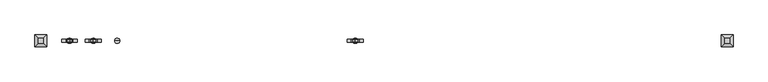
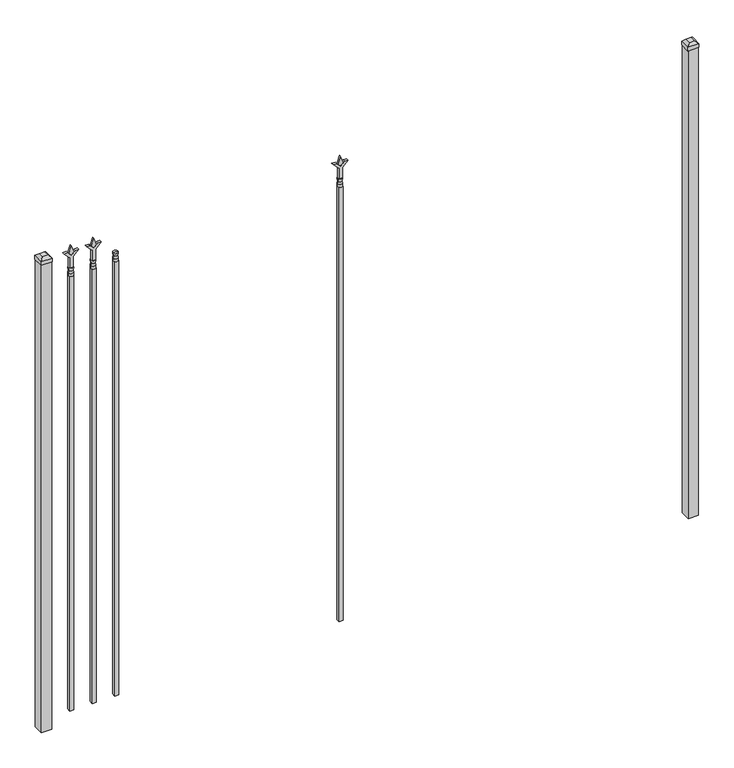
"""IFC4 building model written with IfcOpenShell, lengths in millimetres: railing geometry."""

from ifc_helpers import new_model, si_unit, frame, origin, origin_with_axes, place, context, project, spatial, polyline, circle_curve, outline, extrude, faceted_brep, source, transform, mapped, element, save
from ifc_brep_helpers import plane_surface, cylinder_surface, revolved_surface, advanced_brep


def railing_bac61603(model_context):
    return source(origin(), model_context, "Body", "SolidModel", [
        advanced_brep(
        [(-54887.1035036, -3073.6570174, 2298.7), (-54910.9160036, -3073.6570174, 2298.7), (-54910.9160036, -3073.6570174, 2286.0), (-54887.1035036, -3073.6570174, 2286.0), (-54889.3088355, -3073.6570174, 2311.2070585), (-54908.7106718, -3073.6570174, 2311.2070585), (-54887.1035036, -3073.6570174, 2327.275), (-54910.9160036, -3073.6570174, 2327.275), (-54899.0097536, -3073.6570174, 2327.275), (-54899.0097536, -3073.6570174, 2286.0)],
        [
            (0, 1, circle_curve(frame((-54899.0097536, -3073.6570174, 2298.7), z_axis=(0.0, 0.0, -1.0), x_axis=(-1.0, 0.0, 0.0)), 11.90625)),
            (1, 2),
            (2, 3, circle_curve(frame((-54899.0097536, -3073.6570174, 2286.0), z_axis=(0.0, 0.0, 1.0), x_axis=(-1.0, 0.0, 0.0)), 11.90625)),
            (3, 0),
            (1, 0, circle_curve(frame((-54899.0097536, -3073.6570174, 2298.7), z_axis=(0.0, 0.0, -1.0), x_axis=(-1.0, 0.0, 0.0)), 11.90625)),
            (3, 2, circle_curve(frame((-54899.0097536, -3073.6570174, 2286.0), z_axis=(0.0, 0.0, 1.0), x_axis=(-1.0, 0.0, 0.0)), 11.90625)),
            (4, 5, circle_curve(frame((-54899.0097536, -3073.6570174, 2311.2070585), z_axis=(0.0, 0.0, -1.0), x_axis=(-1.0, 0.0, 0.0)), 9.7009181)),
            (5, 1),
            (0, 4),
            (5, 4, circle_curve(frame((-54899.0097536, -3073.6570174, 2311.2070585), z_axis=(0.0, 0.0, -1.0), x_axis=(-1.0, 0.0, 0.0)), 9.7009181)),
            (6, 7, circle_curve(frame((-54899.0097536, -3073.6570174, 2327.275), z_axis=(0.0, 0.0, -1.0), x_axis=(-1.0, 0.0, 0.0)), 11.90625)),
            (7, 5),
            (4, 6),
            (7, 6, circle_curve(frame((-54899.0097536, -3073.6570174, 2327.275), z_axis=(0.0, 0.0, -1.0), x_axis=(-1.0, 0.0, 0.0)), 11.90625)),
            (8, 7),
            (6, 8),
            (2, 9),
            (9, 3),
        ],
        [
            cylinder_surface(frame((-54899.0097536, -3073.6570174, 2286.0), z_axis=(0.0, 0.0, 1.0), x_axis=(-1.0, 0.0, 0.0)), 11.90625),
            revolved_surface(polyline([(-54910.9160036, -3073.6570174, 2298.7), (-54908.7106718, -3073.6570174, 2311.2070585)]), (-54899.0097536, -3073.6570174, 2286.0), (0.0, 0.0, 1.0)),
            revolved_surface(polyline([(-54908.7106718, -3073.6570174, 2311.2070585), (-54910.9160036, -3073.6570174, 2327.275)]), (-54899.0097536, -3073.6570174, 2286.0), (0.0, 0.0, 1.0)),
            plane_surface(frame((-54899.0097536, -3073.6570174, 2327.275), z_axis=(0.0, 0.0, 1.0), x_axis=(-1.0, 0.0, 0.0))),
            plane_surface(frame((-54899.0097536, -3073.6570174, 2286.0), z_axis=(0.0, 0.0, -1.0), x_axis=(-1.0, 0.0, 0.0))),
        ],
        [
            (0, [[1, 2, 3, 4]]),
            (0, [[5, -4, 6, -2]]),
            (1, [[7, 8, -1, 9]]),
            (1, [[10, -9, -5, -8]]),
            (2, [[11, 12, -7, 13]]),
            (2, [[14, -13, -10, -12]]),
            (3, [[15, -11, 16]]),
            (3, [[-16, -14, -15]]),
            (4, [[-3, 17, 18]]),
            (4, [[-6, -18, -17]]),
        ],
    ),
        extrude(outline(polyline([(-54908.5347536, -3064.1320174), (-54889.4847536, -3064.1320174), (-54889.4847536, -3083.1820174), (-54908.5347536, -3083.1820174), (-54908.5347536, -3064.1320174)])), frame((0.0, 0.0, 50.8), z_axis=(0.0, 0.0, 1.0), x_axis=(1.0, 0.0, 0.0)), (0.0, 0.0, 1.0), 2235.2),
        extrude(outline(polyline([(2402.68125, -54996.3764203), (2438.4, -55008.2826703), (2402.68125, -55020.1889203), (2390.775, -55008.2826703), (2402.68125, -54996.3764203)])), frame((0.0, -3078.4195174, 0.0), z_axis=(0.0, 1.0, 0.0), x_axis=(0.0, 0.0, 1.0)), (0.0, 0.0, 1.0), 9.525),
        extrude(outline(polyline([(2327.275, -54999.5514203), (2381.5457378, -54999.5514203), (2408.7355122, -54972.3616458), (2408.7355122, -54990.3221581), (2390.775, -55008.2826703), (2408.7355122, -55026.2431825), (2408.7355122, -55044.2036948), (2381.5457378, -55017.0139203), (2327.275, -55017.0139203), (2327.275, -54999.5514203)])), frame((0.0, -3080.0070174, 0.0), z_axis=(0.0, 1.0, 0.0), x_axis=(0.0, 0.0, 1.0)), (0.0, 0.0, 1.0), 12.7),
        advanced_brep(
        [(-54996.3764203, -3073.6570174, 2298.7), (-55020.1889203, -3073.6570174, 2298.7), (-55020.1889203, -3073.6570174, 2286.0), (-54996.3764203, -3073.6570174, 2286.0), (-54998.5817522, -3073.6570174, 2311.2070585), (-55017.9835884, -3073.6570174, 2311.2070585), (-54996.3764203, -3073.6570174, 2327.275), (-55020.1889203, -3073.6570174, 2327.275), (-55008.2826703, -3073.6570174, 2327.275), (-55008.2826703, -3073.6570174, 2286.0)],
        [
            (0, 1, circle_curve(frame((-55008.2826703, -3073.6570174, 2298.7), z_axis=(0.0, 0.0, -1.0), x_axis=(-1.0, 0.0, 0.0)), 11.90625)),
            (1, 2),
            (2, 3, circle_curve(frame((-55008.2826703, -3073.6570174, 2286.0), z_axis=(0.0, 0.0, 1.0), x_axis=(-1.0, 0.0, 0.0)), 11.90625)),
            (3, 0),
            (1, 0, circle_curve(frame((-55008.2826703, -3073.6570174, 2298.7), z_axis=(0.0, 0.0, -1.0), x_axis=(-1.0, 0.0, 0.0)), 11.90625)),
            (3, 2, circle_curve(frame((-55008.2826703, -3073.6570174, 2286.0), z_axis=(0.0, 0.0, 1.0), x_axis=(-1.0, 0.0, 0.0)), 11.90625)),
            (4, 5, circle_curve(frame((-55008.2826703, -3073.6570174, 2311.2070585), z_axis=(0.0, 0.0, -1.0), x_axis=(-1.0, 0.0, 0.0)), 9.7009181)),
            (5, 1),
            (0, 4),
            (5, 4, circle_curve(frame((-55008.2826703, -3073.6570174, 2311.2070585), z_axis=(0.0, 0.0, -1.0), x_axis=(-1.0, 0.0, 0.0)), 9.7009181)),
            (6, 7, circle_curve(frame((-55008.2826703, -3073.6570174, 2327.275), z_axis=(0.0, 0.0, -1.0), x_axis=(-1.0, 0.0, 0.0)), 11.90625)),
            (7, 5),
            (4, 6),
            (7, 6, circle_curve(frame((-55008.2826703, -3073.6570174, 2327.275), z_axis=(0.0, 0.0, -1.0), x_axis=(-1.0, 0.0, 0.0)), 11.90625)),
            (8, 7),
            (6, 8),
            (2, 9),
            (9, 3),
        ],
        [
            cylinder_surface(frame((-55008.2826703, -3073.6570174, 2286.0), z_axis=(0.0, 0.0, 1.0), x_axis=(-1.0, 0.0, 0.0)), 11.90625),
            revolved_surface(polyline([(-55020.1889203, -3073.6570174, 2298.7), (-55017.9835884, -3073.6570174, 2311.2070585)]), (-55008.2826703, -3073.6570174, 2286.0), (0.0, 0.0, 1.0)),
            revolved_surface(polyline([(-55017.9835884, -3073.6570174, 2311.2070585), (-55020.1889203, -3073.6570174, 2327.275)]), (-55008.2826703, -3073.6570174, 2286.0), (0.0, 0.0, 1.0)),
            plane_surface(frame((-55008.2826703, -3073.6570174, 2327.275), z_axis=(0.0, 0.0, 1.0), x_axis=(-1.0, 0.0, 0.0))),
            plane_surface(frame((-55008.2826703, -3073.6570174, 2286.0), z_axis=(0.0, 0.0, -1.0), x_axis=(-1.0, 0.0, 0.0))),
        ],
        [
            (0, [[1, 2, 3, 4]]),
            (0, [[5, -4, 6, -2]]),
            (1, [[7, 8, -1, 9]]),
            (1, [[10, -9, -5, -8]]),
            (2, [[11, 12, -7, 13]]),
            (2, [[14, -13, -10, -12]]),
            (3, [[15, -11, 16]]),
            (3, [[-16, -14, -15]]),
            (4, [[-3, 17, 18]]),
            (4, [[-6, -18, -17]]),
        ],
    ),
        extrude(outline(polyline([(-55017.8076703, -3064.1320174), (-54998.7576703, -3064.1320174), (-54998.7576703, -3083.1820174), (-55017.8076703, -3083.1820174), (-55017.8076703, -3064.1320174)])), frame((0.0, 0.0, 50.8), z_axis=(0.0, 0.0, 1.0), x_axis=(1.0, 0.0, 0.0)), (0.0, 0.0, 1.0), 2235.2),
        extrude(outline(polyline([(2402.68125, -53794.374337), (2438.4, -53806.280587), (2402.68125, -53818.186837), (2390.775, -53806.280587), (2402.68125, -53794.374337)])), frame((0.0, -3078.4195174, 0.0), z_axis=(0.0, 1.0, 0.0), x_axis=(0.0, 0.0, 1.0)), (0.0, 0.0, 1.0), 9.525),
        extrude(outline(polyline([(2327.275, -53797.549337), (2381.5457378, -53797.549337), (2408.7355122, -53770.3595625), (2408.7355122, -53788.3200747), (2390.775, -53806.280587), (2408.7355122, -53824.2410992), (2408.7355122, -53842.2016114), (2381.5457378, -53815.011837), (2327.275, -53815.011837), (2327.275, -53797.549337)])), frame((0.0, -3080.0070174, 0.0), z_axis=(0.0, 1.0, 0.0), x_axis=(0.0, 0.0, 1.0)), (0.0, 0.0, 1.0), 12.7),
        advanced_brep(
        [(-53794.374337, -3073.6570174, 2298.7), (-53818.186837, -3073.6570174, 2298.7), (-53818.186837, -3073.6570174, 2286.0), (-53794.374337, -3073.6570174, 2286.0), (-53796.5796688, -3073.6570174, 2311.2070585), (-53815.9815051, -3073.6570174, 2311.2070585), (-53794.374337, -3073.6570174, 2327.275), (-53818.186837, -3073.6570174, 2327.275), (-53806.280587, -3073.6570174, 2327.275), (-53806.280587, -3073.6570174, 2286.0)],
        [
            (0, 1, circle_curve(frame((-53806.280587, -3073.6570174, 2298.7), z_axis=(0.0, 0.0, -1.0), x_axis=(-1.0, 0.0, 0.0)), 11.90625)),
            (1, 2),
            (2, 3, circle_curve(frame((-53806.280587, -3073.6570174, 2286.0), z_axis=(0.0, 0.0, 1.0), x_axis=(-1.0, 0.0, 0.0)), 11.90625)),
            (3, 0),
            (1, 0, circle_curve(frame((-53806.280587, -3073.6570174, 2298.7), z_axis=(0.0, 0.0, -1.0), x_axis=(-1.0, 0.0, 0.0)), 11.90625)),
            (3, 2, circle_curve(frame((-53806.280587, -3073.6570174, 2286.0), z_axis=(0.0, 0.0, 1.0), x_axis=(-1.0, 0.0, 0.0)), 11.90625)),
            (4, 5, circle_curve(frame((-53806.280587, -3073.6570174, 2311.2070585), z_axis=(0.0, 0.0, -1.0), x_axis=(-1.0, 0.0, 0.0)), 9.7009181)),
            (5, 1),
            (0, 4),
            (5, 4, circle_curve(frame((-53806.280587, -3073.6570174, 2311.2070585), z_axis=(0.0, 0.0, -1.0), x_axis=(-1.0, 0.0, 0.0)), 9.7009181)),
            (6, 7, circle_curve(frame((-53806.280587, -3073.6570174, 2327.275), z_axis=(0.0, 0.0, -1.0), x_axis=(-1.0, 0.0, 0.0)), 11.90625)),
            (7, 5),
            (4, 6),
            (7, 6, circle_curve(frame((-53806.280587, -3073.6570174, 2327.275), z_axis=(0.0, 0.0, -1.0), x_axis=(-1.0, 0.0, 0.0)), 11.90625)),
            (8, 7),
            (6, 8),
            (2, 9),
            (9, 3),
        ],
        [
            cylinder_surface(frame((-53806.280587, -3073.6570174, 2286.0), z_axis=(0.0, 0.0, 1.0), x_axis=(-1.0, 0.0, 0.0)), 11.90625),
            revolved_surface(polyline([(-53818.186837, -3073.6570174, 2298.7), (-53815.9815051, -3073.6570174, 2311.2070585)]), (-53806.280587, -3073.6570174, 2286.0), (0.0, 0.0, 1.0)),
            revolved_surface(polyline([(-53815.9815051, -3073.6570174, 2311.2070585), (-53818.186837, -3073.6570174, 2327.275)]), (-53806.280587, -3073.6570174, 2286.0), (0.0, 0.0, 1.0)),
            plane_surface(frame((-53806.280587, -3073.6570174, 2327.275), z_axis=(0.0, 0.0, 1.0), x_axis=(-1.0, 0.0, 0.0))),
            plane_surface(frame((-53806.280587, -3073.6570174, 2286.0), z_axis=(0.0, 0.0, -1.0), x_axis=(-1.0, 0.0, 0.0))),
        ],
        [
            (0, [[1, 2, 3, 4]]),
            (0, [[5, -4, 6, -2]]),
            (1, [[7, 8, -1, 9]]),
            (1, [[10, -9, -5, -8]]),
            (2, [[11, 12, -7, 13]]),
            (2, [[14, -13, -10, -12]]),
            (3, [[15, -11, 16]]),
            (3, [[-16, -14, -15]]),
            (4, [[-3, 17, 18]]),
            (4, [[-6, -18, -17]]),
        ],
    ),
        extrude(outline(polyline([(-53815.805587, -3064.1320174), (-53796.755587, -3064.1320174), (-53796.755587, -3083.1820174), (-53815.805587, -3083.1820174), (-53815.805587, -3064.1320174)])), frame((0.0, 0.0, 50.8), z_axis=(0.0, 0.0, 1.0), x_axis=(1.0, 0.0, 0.0)), (0.0, 0.0, 1.0), 2235.2),
        extrude(outline(polyline([(2402.68125, -55105.649337), (2438.4, -55117.555587), (2402.68125, -55129.461837), (2390.775, -55117.555587), (2402.68125, -55105.649337)])), frame((0.0, -3078.4195174, 0.0), z_axis=(0.0, 1.0, 0.0), x_axis=(0.0, 0.0, 1.0)), (0.0, 0.0, 1.0), 9.525),
        extrude(outline(polyline([(2327.275, -55108.824337), (2381.5457378, -55108.824337), (2408.7355122, -55081.6345625), (2408.7355122, -55099.5950747), (2390.775, -55117.555587), (2408.7355122, -55135.5160992), (2408.7355122, -55153.4766114), (2381.5457378, -55126.286837), (2327.275, -55126.286837), (2327.275, -55108.824337)])), frame((0.0, -3080.0070174, 0.0), z_axis=(0.0, 1.0, 0.0), x_axis=(0.0, 0.0, 1.0)), (0.0, 0.0, 1.0), 12.7),
        advanced_brep(
        [(-55105.649337, -3073.6570174, 2298.7), (-55129.461837, -3073.6570174, 2298.7), (-55129.461837, -3073.6570174, 2286.0), (-55105.649337, -3073.6570174, 2286.0), (-55107.8546688, -3073.6570174, 2311.2070585), (-55127.2565051, -3073.6570174, 2311.2070585), (-55105.649337, -3073.6570174, 2327.275), (-55129.461837, -3073.6570174, 2327.275), (-55117.555587, -3073.6570174, 2327.275), (-55117.555587, -3073.6570174, 2286.0)],
        [
            (0, 1, circle_curve(frame((-55117.555587, -3073.6570174, 2298.7), z_axis=(0.0, 0.0, -1.0), x_axis=(-1.0, 0.0, 0.0)), 11.90625)),
            (1, 2),
            (2, 3, circle_curve(frame((-55117.555587, -3073.6570174, 2286.0), z_axis=(0.0, 0.0, 1.0), x_axis=(-1.0, 0.0, 0.0)), 11.90625)),
            (3, 0),
            (1, 0, circle_curve(frame((-55117.555587, -3073.6570174, 2298.7), z_axis=(0.0, 0.0, -1.0), x_axis=(-1.0, 0.0, 0.0)), 11.90625)),
            (3, 2, circle_curve(frame((-55117.555587, -3073.6570174, 2286.0), z_axis=(0.0, 0.0, 1.0), x_axis=(-1.0, 0.0, 0.0)), 11.90625)),
            (4, 5, circle_curve(frame((-55117.555587, -3073.6570174, 2311.2070585), z_axis=(0.0, 0.0, -1.0), x_axis=(-1.0, 0.0, 0.0)), 9.7009181)),
            (5, 1),
            (0, 4),
            (5, 4, circle_curve(frame((-55117.555587, -3073.6570174, 2311.2070585), z_axis=(0.0, 0.0, -1.0), x_axis=(-1.0, 0.0, 0.0)), 9.7009181)),
            (6, 7, circle_curve(frame((-55117.555587, -3073.6570174, 2327.275), z_axis=(0.0, 0.0, -1.0), x_axis=(-1.0, 0.0, 0.0)), 11.90625)),
            (7, 5),
            (4, 6),
            (7, 6, circle_curve(frame((-55117.555587, -3073.6570174, 2327.275), z_axis=(0.0, 0.0, -1.0), x_axis=(-1.0, 0.0, 0.0)), 11.90625)),
            (8, 7),
            (6, 8),
            (2, 9),
            (9, 3),
        ],
        [
            cylinder_surface(frame((-55117.555587, -3073.6570174, 2286.0), z_axis=(0.0, 0.0, 1.0), x_axis=(-1.0, 0.0, 0.0)), 11.90625),
            revolved_surface(polyline([(-55129.461837, -3073.6570174, 2298.7), (-55127.2565051, -3073.6570174, 2311.2070585)]), (-55117.555587, -3073.6570174, 2286.0), (0.0, 0.0, 1.0)),
            revolved_surface(polyline([(-55127.2565051, -3073.6570174, 2311.2070585), (-55129.461837, -3073.6570174, 2327.275)]), (-55117.555587, -3073.6570174, 2286.0), (0.0, 0.0, 1.0)),
            plane_surface(frame((-55117.555587, -3073.6570174, 2327.275), z_axis=(0.0, 0.0, 1.0), x_axis=(-1.0, 0.0, 0.0))),
            plane_surface(frame((-55117.555587, -3073.6570174, 2286.0), z_axis=(0.0, 0.0, -1.0), x_axis=(-1.0, 0.0, 0.0))),
        ],
        [
            (0, [[1, 2, 3, 4]]),
            (0, [[5, -4, 6, -2]]),
            (1, [[7, 8, -1, 9]]),
            (1, [[10, -9, -5, -8]]),
            (2, [[11, 12, -7, 13]]),
            (2, [[14, -13, -10, -12]]),
            (3, [[15, -11, 16]]),
            (3, [[-16, -14, -15]]),
            (4, [[-3, 17, 18]]),
            (4, [[-6, -18, -17]]),
        ],
    ),
        extrude(outline(polyline([(-55127.080587, -3064.1320174), (-55108.030587, -3064.1320174), (-55108.030587, -3083.1820174), (-55127.080587, -3083.1820174), (-55127.080587, -3064.1320174)])), frame((0.0, 0.0, 50.8), z_axis=(0.0, 0.0, 1.0), x_axis=(1.0, 0.0, 0.0)), (0.0, 0.0, 1.0), 2235.2),
        extrude(outline(polyline([(-52074.318087, -3048.2570174), (-52074.318087, -3099.0570174), (-52125.118087, -3099.0570174), (-52125.118087, -3048.2570174), (-52074.318087, -3048.2570174)])), origin_with_axes(), (0.0, 0.0, 1.0), 2406.65),
        faceted_brep([(-52126.705587, -3046.6695174, 2425.7), (-52126.705587, -3046.6695174, 2406.65), (-52126.705587, -3100.6445174, 2406.65), (-52126.705587, -3100.6445174, 2425.7), (-52114.005587, -3059.3695174, 2438.4), (-52114.005587, -3087.9445174, 2438.4), (-52072.730587, -3100.6445174, 2406.65), (-52072.730587, -3100.6445174, 2425.7), (-52085.430587, -3087.9445174, 2438.4), (-52072.730587, -3046.6695174, 2406.65), (-52072.730587, -3046.6695174, 2425.7), (-52085.430587, -3059.3695174, 2438.4)], [[[0, 1, 2, 3]], [[4, 0, 3, 5]], [[3, 2, 6, 7]], [[5, 3, 7, 8]], [[7, 6, 9, 10]], [[8, 7, 10, 11]], [[10, 9, 1, 0]], [[11, 10, 0, 4]], [[5, 8, 11, 4]], [[1, 9, 6, 2]]]),
        extrude(outline(polyline([(-55223.918087, -3048.2570174), (-55223.918087, -3099.0570174), (-55274.718087, -3099.0570174), (-55274.718087, -3048.2570174), (-55223.918087, -3048.2570174)])), origin_with_axes(), (0.0, 0.0, 1.0), 2406.65),
        faceted_brep([(-55276.305587, -3046.6695174, 2425.7), (-55276.305587, -3046.6695174, 2406.65), (-55276.305587, -3100.6445174, 2406.65), (-55276.305587, -3100.6445174, 2425.7), (-55263.605587, -3059.3695174, 2438.4), (-55263.605587, -3087.9445174, 2438.4), (-55222.330587, -3100.6445174, 2406.65), (-55222.330587, -3100.6445174, 2425.7), (-55235.030587, -3087.9445174, 2438.4), (-55222.330587, -3046.6695174, 2406.65), (-55222.330587, -3046.6695174, 2425.7), (-55235.030587, -3059.3695174, 2438.4)], [[[0, 1, 2, 3]], [[4, 0, 3, 5]], [[3, 2, 6, 7]], [[5, 3, 7, 8]], [[7, 6, 9, 10]], [[8, 7, 10, 11]], [[10, 9, 1, 0]], [[11, 10, 0, 4]], [[5, 8, 11, 4]], [[1, 9, 6, 2]]]),
    ])


if __name__ == "__main__":
    model = new_model("IFC4")
    model_context = context("Model", 3, world=origin())
    ifc_project = project(units=[si_unit("LENGTHUNIT", "METRE", prefix="MILLI")], contexts=[model_context])
    site = spatial("IfcSite", under=ifc_project)
    building = spatial("IfcBuilding", under=site)
    placement = place(None, origin())
    railing_shape = railing_bac61603(model_context)
    element("IfcRailing", 1, at=placement, inside=building, context=model_context, shape_type="MappedRepresentation", body=[
        mapped(railing_shape, transform((0.0, 0.0, 0.0), x_axis=(1.0, 0.0, 0.0), y_axis=(0.0, 1.0, 0.0), z_axis=(0.0, 0.0, 1.0))),
    ])
    save(model, "model.ifc")
